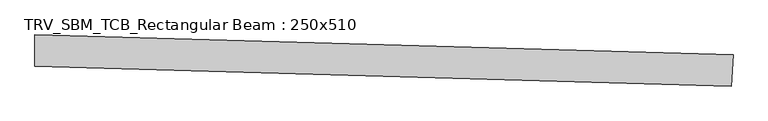
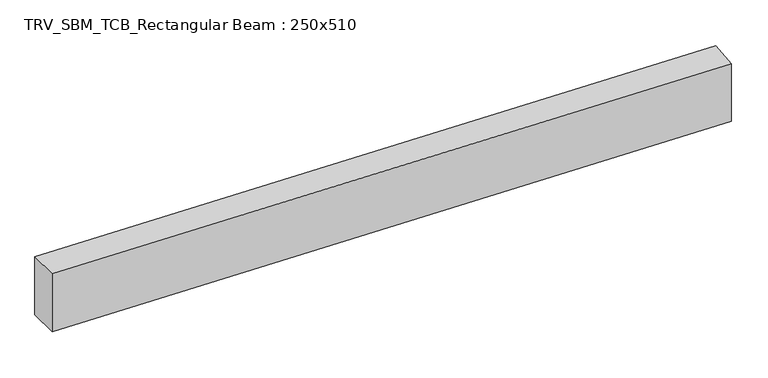
"""IFC4 building model written with IfcOpenShell, lengths in millimetres: beam geometry, TRV_SBM_TCB_Rectangular Beam : 250x510."""

from ifc_helpers import new_model, si_unit, point, frame, frame_2d, origin, place, context, project, spatial, polyline, circle_curve, trimmed, segment, composite_curve, outline, extrude, source, transform, mapped, element, save


def trv_sbm_tcb_rectangular_beam_250x510_6c02c639(model_context):
    return source(origin(), model_context, "Body", "SweptSolid", [
        extrude(outline(composite_curve([segment(polyline([(5573.7995051, -34.5109105), (5559.5022219, -284.1017511)]), True, "CONTINUOUS"), segment(trimmed(circle_curve(frame_2d((0.0, -97337.5639988)), 97212.5639988), [point((5559.5022219, -284.1017511))], [point((-12.685945, -125.0008277))], True, "CARTESIAN"), True, "CONTINUOUS"), segment(polyline([(-12.685945, -125.0008277), (-12.7185692, 124.9991701)]), True, "CONTINUOUS"), segment(trimmed(circle_curve(frame_2d((0.0, -97337.5639988)), 97462.5639988), [point((-12.7185692, 124.9991701))], [point((5573.7995051, -34.5109105))], False, "CARTESIAN"), True, "CONTINUOUS")], self_intersect=False)), frame((0.0, 0.0, -255.0), z_axis=(0.0, 0.0, 1.0), x_axis=(1.0, 0.0, 0.0)), (0.0, 0.0, 1.0), 510.0),
    ])


if __name__ == "__main__":
    model = new_model("IFC4")
    model_context = context("Model", 3, world=origin())
    ifc_project = project(units=[si_unit("LENGTHUNIT", "METRE", prefix="MILLI")], contexts=[model_context])
    site = spatial("IfcSite", under=ifc_project)
    building = spatial("IfcBuilding", under=site)
    placement = place(None, origin())
    trv_sbm_tcb_rectangular_beam_250x510_shape = trv_sbm_tcb_rectangular_beam_250x510_6c02c639(model_context)
    element("IfcBeam", 1, ObjectType="TRV_SBM_TCB_Rectangular Beam : 250x510", at=placement, inside=building, context=model_context, shape_type="MappedRepresentation", body=[
        mapped(trv_sbm_tcb_rectangular_beam_250x510_shape, transform((0.0, 0.0, 0.0), x_axis=(1.0, 0.0, 0.0), y_axis=(0.0, 1.0, 0.0), z_axis=(0.0, 0.0, 1.0))),
    ])
    save(model, "model.ifc")
